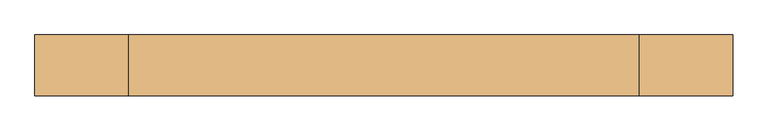
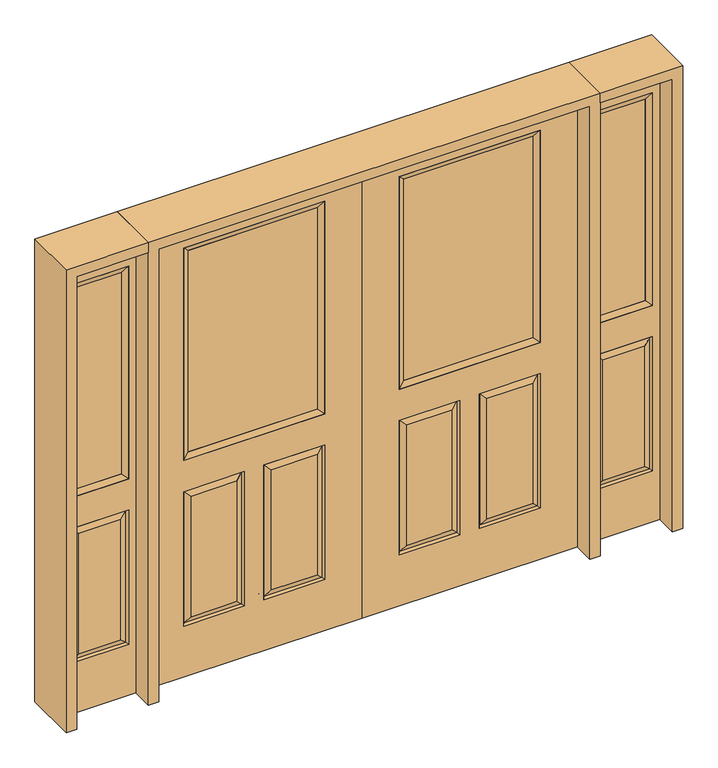
"""IFC4 building model written with IfcOpenShell, lengths in millimetres: door geometry."""

from ifc_helpers import new_model, si_unit, frame, origin, place, context, project, spatial, polyline, outline, extrude, faceted_brep, source, transform, mapped, element, save


def door_407ff737(model_context):
    return source(origin(), model_context, "Body", "SolidModel", [
        faceted_brep([(0.0, -22.225, 0.0), (0.0, -22.225, 2032.0), (-914.4, -22.225, 2032.0), (-914.4, -22.225, 0.0), (-157.861, -22.225, 971.55), (-756.539, -22.225, 971.55), (-756.539, -22.225, 1925.574), (-157.861, -22.225, 1925.574), (-157.861, -22.225, 831.85), (-157.861, -22.225, 228.6), (-415.925, -22.225, 228.6), (-415.925, -22.225, 831.85), (-498.475, -22.225, 831.85), (-498.475, -22.225, 228.6), (-756.539, -22.225, 228.6), (-756.539, -22.225, 831.85), (-384.175, -22.225, 800.1), (-384.175, -22.225, 260.35), (-189.611, -22.225, 260.35), (-189.611, -22.225, 800.1), (-724.789, -22.225, 800.1), (-724.789, -22.225, 260.35), (-530.225, -22.225, 260.35), (-530.225, -22.225, 800.1), (-914.4, 22.225, 0.0), (0.0, 22.225, 0.0), (-914.4, 22.225, 2032.0), (0.0, 22.225, 2032.0), (-157.861, 22.225, 1925.574), (-157.861, 22.225, 971.55), (-756.539, 22.225, 971.55), (-756.539, 22.225, 1925.574), (-415.925, 22.225, 831.85), (-415.925, 22.225, 228.6), (-157.861, 22.225, 228.6), (-157.861, 22.225, 831.85), (-756.539, 22.225, 831.85), (-756.539, 22.225, 228.6), (-498.475, 22.225, 228.6), (-498.475, 22.225, 831.85), (-189.611, 22.225, 800.1), (-189.611, 22.225, 260.35), (-384.175, 22.225, 260.35), (-384.175, 22.225, 800.1), (-530.225, 22.225, 800.1), (-530.225, 22.225, 260.35), (-724.789, 22.225, 260.35), (-724.789, 22.225, 800.1), (-165.00475, -12.7449236, 824.70625), (-408.78125, -12.7449236, 824.70625), (-165.00475, -12.7449236, 235.74375), (-408.78125, -12.7449236, 235.74375), (-749.39525, -12.7449236, 824.70625), (-505.61875, -12.7449236, 824.70625), (-505.61875, -12.7449236, 235.74375), (-749.39525, -12.7449236, 235.74375), (-165.00475, 12.7449236, 824.70625), (-408.78125, 12.7449236, 824.70625), (-408.78125, 12.7449236, 235.74375), (-165.00475, 12.7449236, 235.74375), (-749.39525, 12.7449236, 824.70625), (-505.61875, 12.7449236, 824.70625), (-749.39525, 12.7449236, 235.74375), (-505.61875, 12.7449236, 235.74375)], [[[0, 1, 2, 3], [4, 5, 6, 7], [8, 9, 10, 11], [12, 13, 14, 15]], [[16, 17, 18, 19]], [[20, 21, 22, 23]], [[3, 24, 25, 0]], [[2, 26, 24, 3]], [[0, 25, 27, 1]], [[7, 28, 29, 4]], [[5, 30, 31, 6]], [[4, 29, 30, 5]], [[25, 24, 26, 27], [29, 28, 31, 30], [32, 33, 34, 35], [36, 37, 38, 39]], [[40, 41, 42, 43]], [[44, 45, 46, 47]], [[1, 27, 26, 2]], [[6, 31, 28, 7]], [[16, 19, 48, 49]], [[19, 18, 50, 48]], [[51, 50, 18, 17]], [[49, 51, 17, 16]], [[48, 8, 11, 49]], [[11, 10, 51, 49]], [[10, 9, 50, 51]], [[48, 50, 9, 8]], [[52, 20, 23, 53]], [[23, 22, 54, 53]], [[22, 21, 55, 54]], [[52, 55, 21, 20]], [[53, 12, 15, 52]], [[15, 14, 55, 52]], [[54, 55, 14, 13]], [[53, 54, 13, 12]], [[56, 40, 43, 57]], [[43, 42, 58, 57]], [[42, 41, 59, 58]], [[56, 59, 41, 40]], [[57, 32, 35, 56]], [[35, 34, 59, 56]], [[58, 59, 34, 33]], [[57, 58, 33, 32]], [[44, 47, 60, 61]], [[47, 46, 62, 60]], [[63, 62, 46, 45]], [[61, 63, 45, 44]], [[60, 36, 39, 61]], [[39, 38, 63, 61]], [[38, 37, 62, 63]], [[60, 62, 37, 36]]]),
        extrude(outline(polyline([(-731.139, -12.7), (-731.139, 12.7), (-183.261, 12.7), (-183.261, -12.7), (-731.139, -12.7)])), frame((0.0, 0.0, 996.95), z_axis=(0.0, 0.0, 1.0), x_axis=(1.0, 0.0, 0.0)), (0.0, 0.0, 1.0), 903.224),
        faceted_brep([(-157.861, -22.225, 1925.574), (-157.861, -22.225, 971.55), (-157.861, 22.225, 971.55), (-157.861, 22.225, 1925.574), (-756.539, -22.225, 971.55), (-756.539, 22.225, 971.55), (-731.139, 12.7, 996.95), (-183.261, 12.7, 996.95), (-756.539, -22.225, 1925.574), (-756.539, 22.225, 1925.574), (-183.261, -12.7, 996.95), (-731.139, -12.7, 996.95), (-183.261, -12.7, 1900.174), (-731.139, -12.7, 1900.174), (-183.261, 12.7, 1900.174), (-731.139, 12.7, 1900.174)], [[[0, 1, 2, 3]], [[1, 4, 5, 2]], [[2, 5, 6, 7]], [[4, 8, 9, 5]], [[10, 11, 4, 1]], [[12, 10, 1, 0]], [[11, 13, 8, 4]], [[7, 6, 11, 10]], [[14, 7, 10, 12]], [[6, 15, 13, 11]], [[3, 2, 7, 14]], [[5, 9, 15, 6]], [[8, 0, 3, 9]], [[13, 12, 0, 8]], [[15, 14, 12, 13]], [[9, 3, 14, 15]]]),
        faceted_brep([(0.0, -22.225, 0.0), (914.4, -22.225, 0.0), (914.4, -22.225, 2032.0), (0.0, -22.225, 2032.0), (157.861, -22.225, 971.55), (157.861, -22.225, 1925.574), (756.539, -22.225, 1925.574), (756.539, -22.225, 971.55), (157.861, -22.225, 831.85), (415.925, -22.225, 831.85), (415.925, -22.225, 228.6), (157.861, -22.225, 228.6), (498.475, -22.225, 831.85), (756.539, -22.225, 831.85), (756.539, -22.225, 228.6), (498.475, -22.225, 228.6), (384.175, -22.225, 800.1), (189.611, -22.225, 800.1), (189.611, -22.225, 260.35), (384.175, -22.225, 260.35), (724.789, -22.225, 800.1), (530.225, -22.225, 800.1), (530.225, -22.225, 260.35), (724.789, -22.225, 260.35), (0.0, 22.225, 0.0), (914.4, 22.225, 0.0), (914.4, 22.225, 2032.0), (0.0, 22.225, 2032.0), (157.861, 22.225, 971.55), (157.861, 22.225, 1925.574), (756.539, 22.225, 1925.574), (756.539, 22.225, 971.55), (415.925, 22.225, 831.85), (157.861, 22.225, 831.85), (157.861, 22.225, 228.6), (415.925, 22.225, 228.6), (756.539, 22.225, 831.85), (498.475, 22.225, 831.85), (498.475, 22.225, 228.6), (756.539, 22.225, 228.6), (189.611, 22.225, 800.1), (384.175, 22.225, 800.1), (384.175, 22.225, 260.35), (189.611, 22.225, 260.35), (530.225, 22.225, 800.1), (724.789, 22.225, 800.1), (724.789, 22.225, 260.35), (530.225, 22.225, 260.35), (408.78125, -12.7449236, 824.70625), (165.00475, -12.7449236, 824.70625), (165.00475, -12.7449236, 235.74375), (408.78125, -12.7449236, 235.74375), (749.39525, -12.7449236, 824.70625), (505.61875, -12.7449236, 824.70625), (505.61875, -12.7449236, 235.74375), (749.39525, -12.7449236, 235.74375), (165.00475, 12.7449236, 824.70625), (408.78125, 12.7449236, 824.70625), (408.78125, 12.7449236, 235.74375), (165.00475, 12.7449236, 235.74375), (505.61875, 12.7449236, 824.70625), (749.39525, 12.7449236, 824.70625), (749.39525, 12.7449236, 235.74375), (505.61875, 12.7449236, 235.74375)], [[[0, 1, 2, 3], [4, 5, 6, 7], [8, 9, 10, 11], [12, 13, 14, 15]], [[16, 17, 18, 19]], [[20, 21, 22, 23]], [[1, 0, 24, 25]], [[2, 1, 25, 26]], [[0, 3, 27, 24]], [[5, 4, 28, 29]], [[7, 6, 30, 31]], [[4, 7, 31, 28]], [[24, 27, 26, 25], [28, 31, 30, 29], [32, 33, 34, 35], [36, 37, 38, 39]], [[40, 41, 42, 43]], [[44, 45, 46, 47]], [[3, 2, 26, 27]], [[6, 5, 29, 30]], [[16, 48, 49, 17]], [[17, 49, 50, 18]], [[51, 19, 18, 50]], [[48, 16, 19, 51]], [[49, 48, 9, 8]], [[9, 48, 51, 10]], [[10, 51, 50, 11]], [[49, 8, 11, 50]], [[52, 53, 21, 20]], [[21, 53, 54, 22]], [[22, 54, 55, 23]], [[52, 20, 23, 55]], [[53, 52, 13, 12]], [[13, 52, 55, 14]], [[54, 15, 14, 55]], [[53, 12, 15, 54]], [[56, 57, 41, 40]], [[41, 57, 58, 42]], [[42, 58, 59, 43]], [[56, 40, 43, 59]], [[57, 56, 33, 32]], [[33, 56, 59, 34]], [[58, 35, 34, 59]], [[57, 32, 35, 58]], [[44, 60, 61, 45]], [[45, 61, 62, 46]], [[63, 47, 46, 62]], [[60, 44, 47, 63]], [[61, 60, 37, 36]], [[37, 60, 63, 38]], [[38, 63, 62, 39]], [[61, 36, 39, 62]]]),
        extrude(outline(polyline([(731.139, -12.7), (183.261, -12.7), (183.261, 12.7), (731.139, 12.7), (731.139, -12.7)])), frame((0.0, 0.0, 996.95), z_axis=(0.0, 0.0, 1.0), x_axis=(1.0, 0.0, 0.0)), (0.0, 0.0, 1.0), 903.224),
        faceted_brep([(157.861, -22.225, 1925.574), (157.861, 22.225, 1925.574), (157.861, 22.225, 971.55), (157.861, -22.225, 971.55), (756.539, 22.225, 971.55), (756.539, -22.225, 971.55), (183.261, 12.7, 996.95), (731.139, 12.7, 996.95), (756.539, 22.225, 1925.574), (756.539, -22.225, 1925.574), (183.261, -12.7, 996.95), (731.139, -12.7, 996.95), (183.261, -12.7, 1900.174), (731.139, -12.7, 1900.174), (183.261, 12.7, 1900.174), (731.139, 12.7, 1900.174)], [[[0, 1, 2, 3]], [[3, 2, 4, 5]], [[2, 6, 7, 4]], [[5, 4, 8, 9]], [[10, 3, 5, 11]], [[12, 0, 3, 10]], [[11, 5, 9, 13]], [[6, 10, 11, 7]], [[14, 12, 10, 6]], [[7, 11, 13, 15]], [[1, 14, 6, 2]], [[4, 7, 15, 8]], [[9, 8, 1, 0]], [[13, 9, 0, 12]], [[15, 13, 12, 14]], [[8, 15, 14, 1]]]),
        faceted_brep([(1263.65, -22.225, 0.0), (1263.65, -22.225, 2032.0), (958.85, -22.225, 2032.0), (958.85, -22.225, 0.0), (989.838, -22.225, 1925.574), (1232.662, -22.225, 1925.574), (1232.662, -22.225, 971.55), (989.838, -22.225, 971.55), (989.838, -22.225, 228.6), (989.838, -22.225, 831.85), (1232.662, -22.225, 831.85), (1232.662, -22.225, 228.6), (1200.7559872, -22.225, 260.5060128), (1200.7559872, -22.225, 799.9439872), (1021.7440128, -22.225, 799.9439872), (1021.7440128, -22.225, 260.5060128), (958.85, 22.225, 0.0), (1263.65, 22.225, 0.0), (958.85, 22.225, 2032.0), (1263.65, 22.225, 2032.0), (989.838, 22.225, 971.55), (989.838, 22.225, 1925.574), (1232.662, 22.225, 971.55), (1232.662, 22.225, 1925.574), (1232.662, 22.225, 228.6), (1232.662, 22.225, 831.85), (989.838, 22.225, 831.85), (989.838, 22.225, 228.6), (1021.7440128, 22.225, 260.5060128), (1021.7440128, 22.225, 799.9439872), (1200.7559872, 22.225, 799.9439872), (1200.7559872, 22.225, 260.5060128), (1225.7419933, -13.0418409, 235.5200067), (996.7580067, -13.0418409, 235.5200067), (1225.7419933, -13.0418409, 824.9299933), (996.7580067, -13.0418409, 824.9299933), (1225.7419933, 13.0418409, 235.5200067), (996.7580067, 13.0418409, 235.5200067), (996.7580067, 13.0418409, 824.9299933), (1225.7419933, 13.0418409, 824.9299933)], [[[0, 1, 2, 3], [4, 5, 6, 7], [8, 9, 10, 11]], [[12, 13, 14, 15]], [[3, 16, 17, 0]], [[2, 18, 16, 3]], [[0, 17, 19, 1]], [[7, 20, 21, 4]], [[6, 22, 20, 7]], [[5, 23, 22, 6]], [[17, 16, 18, 19], [21, 20, 22, 23], [24, 25, 26, 27]], [[28, 29, 30, 31]], [[1, 19, 18, 2]], [[4, 21, 23, 5]], [[8, 11, 32, 33]], [[11, 10, 34, 32]], [[35, 34, 10, 9]], [[33, 35, 9, 8]], [[32, 12, 15, 33]], [[15, 14, 35, 33]], [[14, 13, 34, 35]], [[32, 34, 13, 12]], [[36, 24, 27, 37]], [[27, 26, 38, 37]], [[26, 25, 39, 38]], [[36, 39, 25, 24]], [[37, 28, 31, 36]], [[31, 30, 39, 36]], [[38, 39, 30, 29]], [[37, 38, 29, 28]]]),
        extrude(outline(polyline([(1015.238, -12.7), (1015.238, 12.7), (1207.262, 12.7), (1207.262, -12.7), (1015.238, -12.7)])), frame((0.0, 0.0, 996.95), z_axis=(0.0, 0.0, 1.0), x_axis=(1.0, 0.0, 0.0)), (0.0, 0.0, 1.0), 903.224),
        faceted_brep([(1232.662, -22.225, 1925.574), (1232.662, -22.225, 971.55), (1232.662, 22.225, 971.55), (1232.662, 22.225, 1925.574), (989.838, -22.225, 971.55), (989.838, 22.225, 971.55), (1015.238, 12.7, 996.95), (1207.262, 12.7, 996.95), (989.838, -22.225, 1925.574), (989.838, 22.225, 1925.574), (1207.262, -12.7, 996.95), (1015.238, -12.7, 996.95), (1207.262, -12.7, 1900.174), (1015.238, -12.7, 1900.174), (1207.262, 12.7, 1900.174), (1015.238, 12.7, 1900.174)], [[[0, 1, 2, 3]], [[1, 4, 5, 2]], [[2, 5, 6, 7]], [[4, 8, 9, 5]], [[10, 11, 4, 1]], [[12, 10, 1, 0]], [[11, 13, 8, 4]], [[7, 6, 11, 10]], [[14, 7, 10, 12]], [[6, 15, 13, 11]], [[3, 2, 7, 14]], [[5, 9, 15, 6]], [[8, 0, 3, 9]], [[13, 12, 0, 8]], [[15, 14, 12, 13]], [[9, 3, 14, 15]]]),
        faceted_brep([(-1263.65, -22.225, 0.0), (-958.85, -22.225, 0.0), (-958.85, -22.225, 2032.0), (-1263.65, -22.225, 2032.0), (-989.838, -22.225, 1925.574), (-989.838, -22.225, 971.55), (-1232.662, -22.225, 971.55), (-1232.662, -22.225, 1925.574), (-989.838, -22.225, 228.6), (-1232.662, -22.225, 228.6), (-1232.662, -22.225, 831.85), (-989.838, -22.225, 831.85), (-1200.7559872, -22.225, 260.5060128), (-1021.7440128, -22.225, 260.5060128), (-1021.7440128, -22.225, 799.9439872), (-1200.7559872, -22.225, 799.9439872), (-1263.65, 22.225, 0.0), (-958.85, 22.225, 0.0), (-958.85, 22.225, 2032.0), (-1263.65, 22.225, 2032.0), (-989.838, 22.225, 1925.574), (-989.838, 22.225, 971.55), (-1232.662, 22.225, 971.55), (-1232.662, 22.225, 1925.574), (-1232.662, 22.225, 228.6), (-989.838, 22.225, 228.6), (-989.838, 22.225, 831.85), (-1232.662, 22.225, 831.85), (-1021.7440128, 22.225, 260.5060128), (-1200.7559872, 22.225, 260.5060128), (-1200.7559872, 22.225, 799.9439872), (-1021.7440128, 22.225, 799.9439872), (-996.7580067, -13.0418409, 235.5200067), (-1225.7419933, -13.0418409, 235.5200067), (-1225.7419933, -13.0418409, 824.9299933), (-996.7580067, -13.0418409, 824.9299933), (-1225.7419933, 13.0418409, 235.5200067), (-996.7580067, 13.0418409, 235.5200067), (-996.7580067, 13.0418409, 824.9299933), (-1225.7419933, 13.0418409, 824.9299933)], [[[0, 1, 2, 3], [4, 5, 6, 7], [8, 9, 10, 11]], [[12, 13, 14, 15]], [[1, 0, 16, 17]], [[2, 1, 17, 18]], [[0, 3, 19, 16]], [[5, 4, 20, 21]], [[6, 5, 21, 22]], [[7, 6, 22, 23]], [[16, 19, 18, 17], [20, 23, 22, 21], [24, 25, 26, 27]], [[28, 29, 30, 31]], [[3, 2, 18, 19]], [[4, 7, 23, 20]], [[8, 32, 33, 9]], [[9, 33, 34, 10]], [[35, 11, 10, 34]], [[32, 8, 11, 35]], [[33, 32, 13, 12]], [[13, 32, 35, 14]], [[14, 35, 34, 15]], [[33, 12, 15, 34]], [[36, 37, 25, 24]], [[25, 37, 38, 26]], [[26, 38, 39, 27]], [[36, 24, 27, 39]], [[37, 36, 29, 28]], [[29, 36, 39, 30]], [[38, 31, 30, 39]], [[37, 28, 31, 38]]]),
        extrude(outline(polyline([(-1015.238, -12.7), (-1207.262, -12.7), (-1207.262, 12.7), (-1015.238, 12.7), (-1015.238, -12.7)])), frame((0.0, 0.0, 996.95), z_axis=(0.0, 0.0, 1.0), x_axis=(1.0, 0.0, 0.0)), (0.0, 0.0, 1.0), 903.224),
        faceted_brep([(-1232.662, -22.225, 1925.574), (-1232.662, 22.225, 1925.574), (-1232.662, 22.225, 971.55), (-1232.662, -22.225, 971.55), (-989.838, 22.225, 971.55), (-989.838, -22.225, 971.55), (-1207.262, 12.7, 996.95), (-1015.238, 12.7, 996.95), (-989.838, 22.225, 1925.574), (-989.838, -22.225, 1925.574), (-1207.262, -12.7, 996.95), (-1015.238, -12.7, 996.95), (-1207.262, -12.7, 1900.174), (-1015.238, -12.7, 1900.174), (-1207.262, 12.7, 1900.174), (-1015.238, 12.7, 1900.174)], [[[0, 1, 2, 3]], [[3, 2, 4, 5]], [[2, 6, 7, 4]], [[5, 4, 8, 9]], [[10, 3, 5, 11]], [[12, 0, 3, 10]], [[11, 5, 9, 13]], [[6, 10, 11, 7]], [[14, 12, 10, 6]], [[7, 11, 13, 15]], [[1, 14, 6, 2]], [[4, 7, 15, 8]], [[9, 8, 1, 0]], [[13, 9, 0, 12]], [[15, 13, 12, 14]], [[8, 15, 14, 1]]]),
        extrude(outline(polyline([(2032.0, -958.85), (2076.45, -958.85), (2076.45, -1308.1), (0.0, -1308.1), (0.0, -1263.65), (2032.0, -1263.65), (2032.0, -958.85)])), frame((0.0, -114.3, 0.0), z_axis=(0.0, 1.0, 0.0), x_axis=(0.0, 0.0, 1.0)), (0.0, 0.0, 1.0), 228.6),
        extrude(outline(polyline([(2076.45, 958.85), (2032.0, 958.85), (2032.0, 1263.65), (0.0, 1263.65), (0.0, 1308.1), (2076.45, 1308.1), (2076.45, 958.85)])), frame((0.0, -114.3, 0.0), z_axis=(0.0, 1.0, 0.0), x_axis=(0.0, 0.0, 1.0)), (0.0, 0.0, 1.0), 228.6),
        extrude(outline(polyline([(0.0, -958.85), (0.0, -914.4), (2032.0, -914.4), (2032.0, 914.4), (0.0, 914.4), (0.0, 958.85), (2076.45, 958.85), (2076.45, -958.85), (0.0, -958.85)])), frame((0.0, -114.3, 0.0), z_axis=(0.0, 1.0, 0.0), x_axis=(0.0, 0.0, 1.0)), (0.0, 0.0, 1.0), 228.6),
    ])


if __name__ == "__main__":
    model = new_model("IFC4")
    model_context = context("Model", 3, world=origin())
    ifc_project = project(units=[si_unit("LENGTHUNIT", "METRE", prefix="MILLI")], contexts=[model_context])
    site = spatial("IfcSite", under=ifc_project)
    building = spatial("IfcBuilding", under=site)
    placement = place(None, origin())
    door_shape = door_407ff737(model_context)
    element("IfcDoor", 1, at=placement, inside=building, context=model_context, shape_type="MappedRepresentation", body=[
        mapped(door_shape, transform((0.0, 0.0, 0.0), x_axis=(1.0, 0.0, 0.0), y_axis=(0.0, 1.0, 0.0), z_axis=(0.0, 0.0, 1.0))),
    ])
    save(model, "model.ifc")
